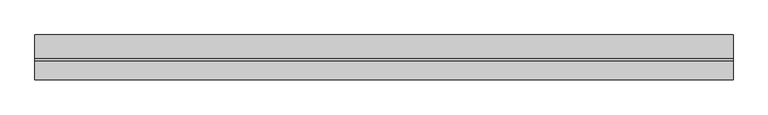
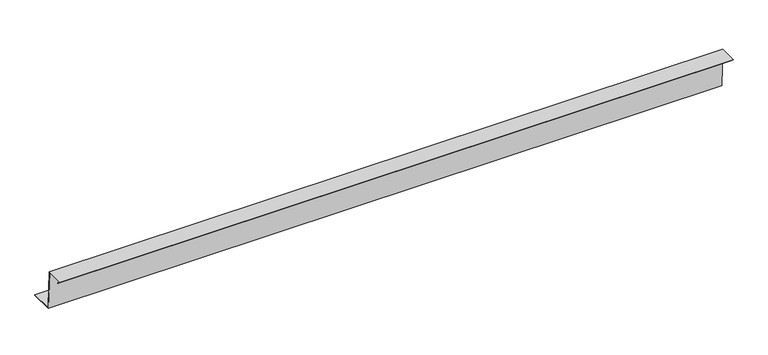
"""IFC4 building model written with IfcOpenShell, lengths in millimetres: proxy geometry."""

import ifcopenshell
import ifcopenshell.guid

model = None  # the IFC model being written
_history = None  # IfcOwnerHistory: only IFC2X3 demands one
_inside = {}  # id of a spatial element -> (the spatial element, [elements in it])
_under = {}  # id of a project, library or spatial element -> (it, [spatial elements below it])
_declared = {}  # id of a project -> (the project, [libraries it declares])
_typed = {}  # id of a type object -> (the type object, [elements of that type])
_made_of = {}  # id of a material, layer set ... -> (it, [elements and type objects made of it])


def new_model(schema):
    """Start an empty IFC model of exactly this schema.

    Asked for "IFC4X3", IfcOpenShell would pick the latest addendum, in which some entities
    have other attributes; the version numbers below select the first issue.
    IFC2X3 requires an IfcOwnerHistory on every rooted entity: one is made here for all.
    """
    global model, _history
    if schema == "IFC4X3":
        model = ifcopenshell.file(schema_version=(4, 3, 0, 0))
    else:
        model = ifcopenshell.file(schema=schema)
    _inside.clear()
    _under.clear()
    _declared.clear()
    _typed.clear()
    _made_of.clear()
    _history = None
    if model.schema == "IFC2X3":
        org = make("IfcOrganization", Name="unknown")
        user = make(
            "IfcPersonAndOrganization",
            ThePerson=make("IfcPerson", FamilyName="unknown"),
            TheOrganization=org,
        )
        app = make(
            "IfcApplication",
            ApplicationDeveloper=org,
            Version="unknown",
            ApplicationFullName="unknown",
            ApplicationIdentifier="unknown",
        )
        _history = make(
            "IfcOwnerHistory",
            OwningUser=user,
            OwningApplication=app,
            ChangeAction="ADDED",
            CreationDate=0,
        )
    return model


def make(cls, **values):
    """One entity of the class cls with the attributes given. An attribute that is None is left unset."""
    return model.create_entity(
        cls, **{name: value for name, value in values.items() if value is not None}
    )


def rooted(cls, **values):
    """An entity with a GlobalId (a new one), such as an element, a storey or a relation."""
    return make(cls, GlobalId=ifcopenshell.guid.new(), OwnerHistory=_history, **values)


def si_unit(unit_type, name, prefix=None):
    """IfcSIUnit, for example si_unit("LENGTHUNIT", "METRE", prefix="MILLI")."""
    return make("IfcSIUnit", UnitType=unit_type, Prefix=prefix, Name=name)


def assignment(units):
    """IfcUnitAssignment: the units of a project."""
    return None if units is None else make("IfcUnitAssignment", Units=units)


def point(xyz):
    """IfcCartesianPoint."""
    return None if xyz is None else make("IfcCartesianPoint", Coordinates=xyz)


def direction(xyz):
    """IfcDirection."""
    return None if xyz is None else make("IfcDirection", DirectionRatios=xyz)


def frame(location, z_axis=None, x_axis=None):
    """IfcAxis2Placement3D, a coordinate frame: its origin and axes. An axis left out is left unset."""
    return make(
        "IfcAxis2Placement3D",
        Location=point(location),
        Axis=direction(z_axis),
        RefDirection=direction(x_axis),
    )


def origin():
    """The frame at (0, 0, 0) with its axes left unset."""
    return frame((0.0, 0.0, 0.0))


def place(relative_to, where):
    """IfcLocalPlacement: puts the frame where relative to a parent placement (None: the world)."""
    return make(
        "IfcLocalPlacement", PlacementRelTo=relative_to, RelativePlacement=where
    )


def context(
    kind, dimensions, precision=None, world=None, true_north=None, identifier=None
):
    """IfcGeometricRepresentationContext, for example the 3D "Model" context."""
    return make(
        "IfcGeometricRepresentationContext",
        ContextIdentifier=identifier,
        ContextType=kind,
        CoordinateSpaceDimension=dimensions,
        Precision=precision,
        WorldCoordinateSystem=world,
        TrueNorth=true_north,
    )


def project(units=None, contexts=None):
    """IfcProject with its units and contexts."""
    return rooted(
        "IfcProject",
        Name="project",
        RepresentationContexts=contexts,
        UnitsInContext=assignment(units),
    )


def spatial(cls, under=None, at=None, **own):
    """A site, building, storey or space (cls), placed at a placement, below another one or the project."""
    s = rooted(cls, ObjectPlacement=at, **own)
    if under is not None:
        _under.setdefault(under.id(), (under, []))[1].append(s)
    return s


def faces_of(points, faces, orient=None, outer=None):
    """IfcFace entities. A face is a list of loops; a loop is a list of indices into points, from 0.

    orient and outer hold one flag for each loop. By default every Orientation is true, the
    first loop of a face is its IfcFaceOuterBound and the others are IfcFaceBound.
    """
    made = []
    for i, loops in enumerate(faces):
        bounds = []
        for j, loop in enumerate(loops):
            is_outer = j == 0 if outer is None else outer[i][j]
            bounds.append(
                make(
                    "IfcFaceOuterBound" if is_outer else "IfcFaceBound",
                    Bound=make("IfcPolyLoop", Polygon=[points[k] for k in loop]),
                    Orientation=True if orient is None else orient[i][j],
                )
            )
        made.append(make("IfcFace", Bounds=bounds))
    return made


def faceted_brep(points, faces, orient=None, outer=None, voids=None):
    """IfcFacetedBrep: a solid bounded by flat faces; with voids (closed shells), ...WithVoids."""
    shared = [point(p) for p in points]
    hull = make("IfcClosedShell", CfsFaces=faces_of(shared, faces, orient, outer))
    if voids is None:
        return make("IfcFacetedBrep", Outer=hull)
    return make(
        "IfcFacetedBrepWithVoids",
        Outer=hull,
        Voids=[
            make(cls, CfsFaces=faces_of(shared, fs, o, b)) for cls, fs, o, b in voids
        ],
    )


def shape(context_of_items, identifier, shape_type, items):
    """IfcShapeRepresentation: the items that make up one representation, for example the "Body"."""
    return make(
        "IfcShapeRepresentation",
        ContextOfItems=context_of_items,
        RepresentationIdentifier=identifier,
        RepresentationType=shape_type,
        Items=items,
    )


def source(mapping_origin, context_of_items, identifier, shape_type, items):
    """IfcRepresentationMap: a shape defined once, which mapped items show again and again."""
    return make(
        "IfcRepresentationMap",
        MappingOrigin=mapping_origin,
        MappedRepresentation=shape(context_of_items, identifier, shape_type, items),
    )


def transform(
    local_origin,
    x_axis=None,
    y_axis=None,
    z_axis=None,
    scale=None,
    scale2=None,
    scale3=None,
    uniform=True,
):
    """IfcCartesianTransformationOperator3D, or its non-uniform kind. x_axis, y_axis, z_axis: its Axis1, 2, 3."""
    if uniform:
        return make(
            "IfcCartesianTransformationOperator3D",
            Axis1=direction(x_axis),
            Axis2=direction(y_axis),
            LocalOrigin=point(local_origin),
            Scale=scale,
            Axis3=direction(z_axis),
        )
    return make(
        "IfcCartesianTransformationOperator3DnonUniform",
        Axis1=direction(x_axis),
        Axis2=direction(y_axis),
        LocalOrigin=point(local_origin),
        Scale=scale,
        Axis3=direction(z_axis),
        Scale2=scale2,
        Scale3=scale3,
    )


def mapped(mapping_source, mapping_target):
    """IfcMappedItem: shows the shape of a source again, moved by a transform."""
    return make(
        "IfcMappedItem", MappingSource=mapping_source, MappingTarget=mapping_target
    )


def made_of(thing, what):
    """Note that an element or type object is made of a material, layer set ...; save() writes the relation."""
    if what is not None:
        _made_of.setdefault(what.id(), (what, []))[1].append(thing)
    return thing


def element(
    cls,
    number,
    at=None,
    inside=None,
    cuts=None,
    type_object=None,
    material=None,
    context=None,
    identifier="Body",
    shape_type=None,
    held_by="IfcProductDefinitionShape",
    body=None,
    shapes=None,
    **own,
):
    """One element of the class cls, such as IfcWall. Its Tag is "e" and its number.

    at: its placement. inside: the storey or other place that contains it. cuts: it is an
    opening in that element (IfcRelVoidsElement). A single representation is given by context,
    identifier, shape_type and body (its items); several are given by shapes. held_by: the class
    of the entity that holds the representations. save() writes the other relations.
    """
    e = rooted(cls, Tag="e%d" % number, ObjectPlacement=at, **own)
    if body is not None:
        shapes = [shape(context, identifier, shape_type, body)]
    if shapes is not None:
        e.Representation = make(held_by, Representations=shapes)
    if inside is not None:
        _inside.setdefault(inside.id(), (inside, []))[1].append(e)
    if cuts is not None:
        rooted(
            "IfcRelVoidsElement", RelatingBuildingElement=cuts, RelatedOpeningElement=e
        )
    if type_object is not None:
        _typed.setdefault(type_object.id(), (type_object, []))[1].append(e)
    return made_of(e, material)


def aggregate(whole, parts):
    """IfcRelAggregates: a whole, such as a stair, and the parts it consists of."""
    return rooted("IfcRelAggregates", RelatingObject=whole, RelatedObjects=parts)


def save(model, path):
    """Write the relations noted so far, then the file.

    IfcRelAggregates (storeys below a building ...), IfcRelContainedInSpatialStructure (elements
    in a storey), IfcRelDefinesByType, IfcRelAssociatesMaterial and IfcRelDeclares: one each for
    every whole, place, type object, material and project.
    """
    for whole, parts in _under.values():
        aggregate(whole, parts)
    for where, things in _inside.values():
        rooted(
            "IfcRelContainedInSpatialStructure",
            RelatedElements=things,
            RelatingStructure=where,
        )
    for kind, things in _typed.values():
        rooted("IfcRelDefinesByType", RelatedObjects=things, RelatingType=kind)
    for what, things in _made_of.values():
        rooted("IfcRelAssociatesMaterial", RelatedObjects=things, RelatingMaterial=what)
    for by, libraries in _declared.values():
        rooted("IfcRelDeclares", RelatingContext=by, RelatedDefinitions=libraries)
    model.write(path)


def generic_models_98526176(model_context):
    return source(origin(), model_context, "Body", "Brep", [
        faceted_brep([(0.0, 0.0, -51.9635742), (0.0, 0.0, -46.1391758), (0.0, 0.257362, -51.0), (0.0, 50.0, -51.0), (0.0, 50.0, -51.9635742), (0.0, -0.6930211, -51.9635742), (0.0, -5.2444622, 34.0), (0.0, -41.8229552, 34.0), (0.0, -36.4589942, 28.636039), (0.0, -37.166101, 27.9289322), (0.0, -44.2371688, 35.0), (0.0, -4.2960077, 35.0), (1470.0, 0.0, -46.1391758), (1470.0, 0.0, -51.9635742), (1470.0, 50.0, -51.9635742), (1470.0, 50.0, -51.0), (1470.0, 0.257362, -51.0), (1470.0, -4.2960077, 35.0), (1470.0, -44.2371688, 35.0), (1470.0, -37.166101, 27.9289322), (1470.0, -36.4589942, 28.636039), (1470.0, -41.8229552, 34.0), (1470.0, -5.2444622, 34.0), (1470.0, -0.6930211, -51.9635742)], [[[0, 1, 2, 3, 4]], [[1, 0, 5, 6, 7, 8, 9, 10, 11]], [[12, 13, 14, 15, 16]], [[13, 12, 17, 18, 19, 20, 21, 22, 23]], [[10, 9, 19, 18]], [[9, 8, 20, 19]], [[8, 7, 21, 20]], [[7, 6, 22, 21]], [[0, 4, 14, 13, 23, 5]], [[4, 3, 15, 14]], [[3, 2, 16, 15]], [[2, 1, 11, 17, 12, 16]], [[11, 10, 18, 17]], [[6, 5, 23, 22]]]),
    ])


if __name__ == "__main__":
    model = new_model("IFC4")
    model_context = context("Model", 3, world=origin())
    ifc_project = project(units=[si_unit("LENGTHUNIT", "METRE", prefix="MILLI")], contexts=[model_context])
    site = spatial("IfcSite", under=ifc_project)
    building = spatial("IfcBuilding", under=site)
    placement = place(None, origin())
    generic_models_shape = generic_models_98526176(model_context)
    element("IfcBuildingElementProxy", 1, Name="Generic Models", at=placement, inside=building, context=model_context, shape_type="MappedRepresentation", body=[
        mapped(generic_models_shape, transform((0.0, 0.0, 0.0), x_axis=(1.0, 0.0, 0.0), y_axis=(0.0, 1.0, 0.0), z_axis=(0.0, 0.0, 1.0))),
    ])
    save(model, "model.ifc")
